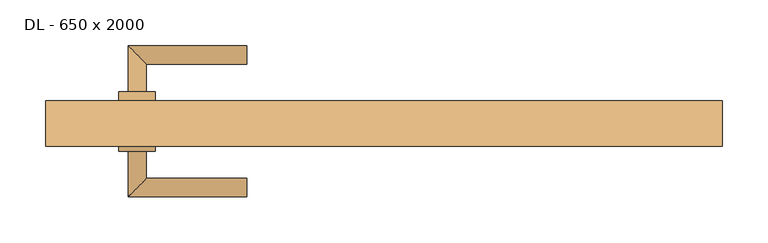
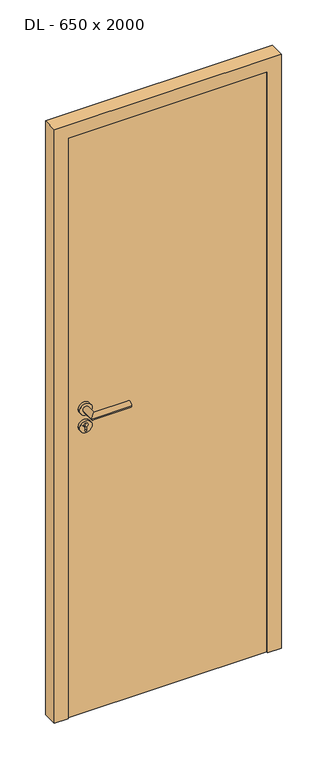
"""IFC4 building model written with IfcOpenShell, lengths in millimetres: door geometry, DL - 650 x 2000."""

from ifc_helpers import new_model, si_unit, point, frame, frame_2d, origin, origin_with_axes, place, context, project, spatial, polyline, circle_curve, ellipse_curve, trimmed, segment, composite_curve, outline, extrude, faceted_brep, source, transform, mapped, element, save
from ifc_brep_helpers import plane_surface, cylinder_surface, advanced_brep


def dl_650_x_2000_d0895c0a(model_context):
    return source(origin(), model_context, "Body", "SolidModel", [
        extrude(outline(polyline([(336.0, 25.0), (336.0, -20.0), (-336.0, -20.0), (-336.0, 25.0), (336.0, 25.0)])), origin_with_axes(), (0.0, 0.0, 1.0), 2011.0),
        advanced_brep(
        [(-260.0, 35.0, 1050.0), (-280.0, 35.0, 1050.0), (-260.0, 65.0, 1050.0), (-280.0, 85.0, 1050.0), (-150.0, 65.0, 1050.0), (-150.0, 85.0, 1050.0)],
        [
            (0, 1, circle_curve(frame((-270.0, 35.0, 1050.0), z_axis=(0.0, -1.0, 0.0), x_axis=(-1.0, 0.0, 0.0)), 10.0)),
            (1, 0, circle_curve(frame((-270.0, 35.0, 1050.0), z_axis=(0.0, -1.0, 0.0), x_axis=(-1.0, 0.0, 0.0)), 10.0)),
            (0, 2),
            (2, 3, ellipse_curve(frame((-270.0, 75.0, 1050.0), z_axis=(-0.7071067811865531, -0.7071067811865419, 0.0), x_axis=(0.707106781186542, -0.707106781186553, 0.0)), 14.1421356, 10.0)),
            (3, 1),
            (3, 2, ellipse_curve(frame((-270.0, 75.0, 1050.0), z_axis=(-0.7071067811865531, -0.7071067811865419, 0.0), x_axis=(0.707106781186542, -0.707106781186553, 0.0)), 14.1421356, 10.0)),
            (4, 5, circle_curve(frame((-150.0, 75.0, 1050.0), z_axis=(1.0, 0.0, 0.0), x_axis=(0.0, 1.0, 0.0)), 10.0)),
            (5, 4, circle_curve(frame((-150.0, 75.0, 1050.0), z_axis=(1.0, 0.0, 0.0), x_axis=(0.0, 1.0, 0.0)), 10.0)),
            (2, 4),
            (5, 3),
        ],
        [
            plane_surface(frame((-270.0, 35.0, 1050.0), z_axis=(0.0, -1.0, 0.0), x_axis=(0.0, 0.0, 1.0))),
            cylinder_surface(frame((-270.0, 35.0, 1050.0), z_axis=(0.0, -1.0, 0.0), x_axis=(-1.0, 0.0, 0.0)), 10.0),
            plane_surface(frame((-150.0, 75.0, 1050.0), z_axis=(1.0, 0.0, 0.0), x_axis=(0.0, 0.0, 1.0))),
            cylinder_surface(frame((-270.0, 75.0, 1050.0), z_axis=(-1.0, 0.0, 0.0), x_axis=(0.0, 1.0, 0.0)), 10.0),
        ],
        [
            (0, [[1, 2]]),
            (1, [[-1, 3, 4, 5]]),
            (1, [[-2, -5, 6, -3]]),
            (2, [[7, 8]]),
            (3, [[-4, 9, -8, 10]]),
            (3, [[-6, -10, -7, -9]]),
        ],
    ),
        extrude(outline(composite_curve([segment(trimmed(circle_curve(frame_2d((990.0, -270.0)), 20.0), [point((990.0, -290.0))], [point((990.0, -250.0))], False, "CARTESIAN"), True, "CONTINUOUS"), segment(trimmed(circle_curve(frame_2d((990.0, -270.0)), 20.0), [point((990.0, -250.0))], [point((990.0, -290.0))], False, "CARTESIAN"), True, "CONTINUOUS")], self_intersect=False), holes=[composite_curve([segment(polyline([(976.4601385, -272.397268), (988.4749012, -272.397268)]), True, "CONTINUOUS"), segment(trimmed(circle_curve(frame_2d((995.0361633, -270.0)), 6.9854888), [point((988.4749012, -272.397268))], [point((988.4749012, -267.602732))], True, "CARTESIAN"), True, "CONTINUOUS"), segment(polyline([(988.4749012, -267.602732), (976.4601385, -267.602732)]), True, "CONTINUOUS"), segment(trimmed(circle_curve(frame_2d((976.4601385, -270.0)), 2.397268), [point((976.4601385, -267.602732))], [point((976.4601385, -272.397268))], True, "CARTESIAN"), True, "CONTINUOUS")], self_intersect=False)]), frame((0.0, 25.0, 0.0), z_axis=(0.0, 1.0, 0.0), x_axis=(0.0, 0.0, 1.0)), (0.0, 0.0, 1.0), 10.0),
        advanced_brep(
        [(-260.0, 35.0, 1050.0), (-280.0, 35.0, 1050.0), (-260.0, 65.0, 1050.0), (-280.0, 85.0, 1050.0), (-150.0, 65.0, 1050.0), (-150.0, 85.0, 1050.0)],
        [
            (0, 1, circle_curve(frame((-270.0, 35.0, 1050.0), z_axis=(0.0, -1.0, 0.0), x_axis=(-1.0, 0.0, 0.0)), 10.0)),
            (1, 0, circle_curve(frame((-270.0, 35.0, 1050.0), z_axis=(0.0, -1.0, 0.0), x_axis=(-1.0, 0.0, 0.0)), 10.0)),
            (0, 2),
            (2, 3, ellipse_curve(frame((-270.0, 75.0, 1050.0), z_axis=(-0.7071067811865537, -0.7071067811865414, 0.0), x_axis=(0.7071067811865414, -0.7071067811865536, 0.0)), 14.1421356, 10.0)),
            (3, 1),
            (3, 2, ellipse_curve(frame((-270.0, 75.0, 1050.0), z_axis=(-0.7071067811865537, -0.7071067811865414, 0.0), x_axis=(0.7071067811865414, -0.7071067811865536, 0.0)), 14.1421356, 10.0)),
            (4, 5, circle_curve(frame((-150.0, 75.0, 1050.0), z_axis=(1.0, 0.0, 0.0), x_axis=(0.0, 1.0, 0.0)), 10.0)),
            (5, 4, circle_curve(frame((-150.0, 75.0, 1050.0), z_axis=(1.0, 0.0, 0.0), x_axis=(0.0, 1.0, 0.0)), 10.0)),
            (2, 4),
            (5, 3),
        ],
        [
            plane_surface(frame((-270.0, 35.0, 1050.0), z_axis=(0.0, -1.0, 0.0), x_axis=(0.0, 0.0, 1.0))),
            cylinder_surface(frame((-270.0, 35.0, 1050.0), z_axis=(0.0, -1.0, 0.0), x_axis=(-1.0, 0.0, 0.0)), 10.0),
            plane_surface(frame((-150.0, 75.0, 1050.0), z_axis=(1.0, 0.0, 0.0), x_axis=(0.0, 0.0, 1.0))),
            cylinder_surface(frame((-270.0, 75.0, 1050.0), z_axis=(-1.0, 0.0, 0.0), x_axis=(0.0, 1.0, 0.0)), 10.0),
        ],
        [
            (0, [[1, 2]]),
            (1, [[-1, 3, 4, 5]]),
            (1, [[-2, -5, 6, -3]]),
            (2, [[7, 8]]),
            (3, [[-4, 9, -8, 10]]),
            (3, [[-6, -10, -7, -9]]),
        ],
    ),
        extrude(outline(composite_curve([segment(trimmed(circle_curve(frame_2d((1050.0, -270.0)), 20.0), [point((1050.0, -290.0))], [point((1050.0, -250.0))], False, "CARTESIAN"), True, "CONTINUOUS"), segment(trimmed(circle_curve(frame_2d((1050.0, -270.0)), 20.0), [point((1050.0, -250.0))], [point((1050.0, -290.0))], False, "CARTESIAN"), True, "CONTINUOUS")], self_intersect=False)), frame((0.0, 25.0, 0.0), z_axis=(0.0, 1.0, 0.0), x_axis=(0.0, 0.0, 1.0)), (0.0, 0.0, 1.0), 10.0),
        advanced_brep(
        [(-260.0, -30.0, 1050.0), (-280.0, -30.0, 1050.0), (-280.0, -80.0, 1050.0), (-260.0, -60.0, 1050.0), (-150.0, -60.0, 1050.0), (-150.0, -80.0, 1050.0)],
        [
            (0, 1, circle_curve(frame((-270.0, -30.0, 1050.0), z_axis=(0.0, 1.0, 0.0), x_axis=(-1.0, 0.0, 0.0)), 10.0)),
            (1, 0, circle_curve(frame((-270.0, -30.0, 1050.0), z_axis=(0.0, 1.0, 0.0), x_axis=(-1.0, 0.0, 0.0)), 10.0)),
            (1, 2),
            (2, 3, ellipse_curve(frame((-270.0, -70.0, 1050.0), z_axis=(-0.7071067811865486, 0.7071067811865464, 0.0), x_axis=(0.7071067811865464, 0.7071067811865488, 0.0)), 14.1421356, 10.0)),
            (3, 0),
            (3, 2, ellipse_curve(frame((-270.0, -70.0, 1050.0), z_axis=(-0.7071067811865486, 0.7071067811865464, 0.0), x_axis=(0.7071067811865464, 0.7071067811865488, 0.0)), 14.1421356, 10.0)),
            (4, 5, circle_curve(frame((-150.0, -70.0, 1050.0), z_axis=(1.0, 0.0, 0.0), x_axis=(0.0, -1.0, 0.0)), 10.0)),
            (5, 4, circle_curve(frame((-150.0, -70.0, 1050.0), z_axis=(1.0, 0.0, 0.0), x_axis=(0.0, -1.0, 0.0)), 10.0)),
            (2, 5),
            (4, 3),
        ],
        [
            plane_surface(frame((-270.0, -30.0, 1050.0), z_axis=(0.0, 1.0, 0.0), x_axis=(0.0, 0.0, 1.0))),
            cylinder_surface(frame((-270.0, -30.0, 1050.0), z_axis=(0.0, 1.0, 0.0), x_axis=(-1.0, 0.0, 0.0)), 10.0),
            plane_surface(frame((-150.0, -70.0, 1050.0), z_axis=(1.0, 0.0, 0.0), x_axis=(0.0, 0.0, 1.0))),
            cylinder_surface(frame((-270.0, -70.0, 1050.0), z_axis=(-1.0, 0.0, 0.0), x_axis=(0.0, -1.0, 0.0)), 10.0),
        ],
        [
            (0, [[1, 2]]),
            (1, [[3, 4, 5, -2]]),
            (1, [[-5, 6, -3, -1]]),
            (2, [[7, 8]]),
            (3, [[9, -7, 10, -4]]),
            (3, [[-10, -8, -9, -6]]),
        ],
    ),
        extrude(outline(composite_curve([segment(trimmed(circle_curve(frame_2d((990.0, -270.0)), 20.0), [point((990.0, -290.0))], [point((990.0, -250.0))], False, "CARTESIAN"), True, "CONTINUOUS"), segment(trimmed(circle_curve(frame_2d((990.0, -270.0)), 20.0), [point((990.0, -250.0))], [point((990.0, -290.0))], False, "CARTESIAN"), True, "CONTINUOUS")], self_intersect=False), holes=[composite_curve([segment(polyline([(976.4601385, -272.397268), (988.4749012, -272.397268)]), True, "CONTINUOUS"), segment(trimmed(circle_curve(frame_2d((995.0361633, -270.0)), 6.9854888), [point((988.4749012, -272.397268))], [point((988.4749012, -267.602732))], True, "CARTESIAN"), True, "CONTINUOUS"), segment(polyline([(988.4749012, -267.602732), (976.4601385, -267.602732)]), True, "CONTINUOUS"), segment(trimmed(circle_curve(frame_2d((976.4601385, -270.0)), 2.397268), [point((976.4601385, -267.602732))], [point((976.4601385, -272.397268))], True, "CARTESIAN"), True, "CONTINUOUS")], self_intersect=False)]), frame((0.0, -30.0, 0.0), z_axis=(0.0, 1.0, 0.0), x_axis=(0.0, 0.0, 1.0)), (0.0, 0.0, 1.0), 10.0),
        advanced_brep(
        [(-260.0, -30.0, 1050.0), (-280.0, -30.0, 1050.0), (-280.0, -80.0, 1050.0), (-260.0, -60.0, 1050.0), (-150.0, -60.0, 1050.0), (-150.0, -80.0, 1050.0)],
        [
            (0, 1, circle_curve(frame((-270.0, -30.0, 1050.0), z_axis=(0.0, 1.0, 0.0), x_axis=(-1.0, 0.0, 0.0)), 10.0)),
            (1, 0, circle_curve(frame((-270.0, -30.0, 1050.0), z_axis=(0.0, 1.0, 0.0), x_axis=(-1.0, 0.0, 0.0)), 10.0)),
            (1, 2),
            (2, 3, ellipse_curve(frame((-270.0, -70.0, 1050.0), z_axis=(-0.7071067811865491, 0.7071067811865459, 0.0), x_axis=(0.7071067811865458, 0.7071067811865492, 0.0)), 14.1421356, 10.0)),
            (3, 0),
            (3, 2, ellipse_curve(frame((-270.0, -70.0, 1050.0), z_axis=(-0.7071067811865491, 0.7071067811865459, 0.0), x_axis=(0.7071067811865458, 0.7071067811865492, 0.0)), 14.1421356, 10.0)),
            (4, 5, circle_curve(frame((-150.0, -70.0, 1050.0), z_axis=(1.0, 0.0, 0.0), x_axis=(0.0, -1.0, 0.0)), 10.0)),
            (5, 4, circle_curve(frame((-150.0, -70.0, 1050.0), z_axis=(1.0, 0.0, 0.0), x_axis=(0.0, -1.0, 0.0)), 10.0)),
            (2, 5),
            (4, 3),
        ],
        [
            plane_surface(frame((-270.0, -30.0, 1050.0), z_axis=(0.0, 1.0, 0.0), x_axis=(0.0, 0.0, 1.0))),
            cylinder_surface(frame((-270.0, -30.0, 1050.0), z_axis=(0.0, 1.0, 0.0), x_axis=(-1.0, 0.0, 0.0)), 10.0),
            plane_surface(frame((-150.0, -70.0, 1050.0), z_axis=(1.0, 0.0, 0.0), x_axis=(0.0, 0.0, 1.0))),
            cylinder_surface(frame((-270.0, -70.0, 1050.0), z_axis=(-1.0, 0.0, 0.0), x_axis=(0.0, -1.0, 0.0)), 10.0),
        ],
        [
            (0, [[1, 2]]),
            (1, [[3, 4, 5, -2]]),
            (1, [[-5, 6, -3, -1]]),
            (2, [[7, 8]]),
            (3, [[9, -7, 10, -4]]),
            (3, [[-10, -8, -9, -6]]),
        ],
    ),
        extrude(outline(composite_curve([segment(trimmed(circle_curve(frame_2d((1050.0, -270.0)), 20.0), [point((1050.0, -290.0))], [point((1050.0, -250.0))], False, "CARTESIAN"), True, "CONTINUOUS"), segment(trimmed(circle_curve(frame_2d((1050.0, -270.0)), 20.0), [point((1050.0, -250.0))], [point((1050.0, -290.0))], False, "CARTESIAN"), True, "CONTINUOUS")], self_intersect=False)), frame((0.0, -30.0, 0.0), z_axis=(0.0, 1.0, 0.0), x_axis=(0.0, 0.0, 1.0)), (0.0, 0.0, 1.0), 10.0),
        faceted_brep([(-340.0, 25.0, 0.0), (-340.0, -20.0, 0.0), (-325.0, -20.0, 0.0), (-325.0, -25.0, 0.0), (-370.0, -25.0, 0.0), (-370.0, 25.0, 0.0), (-340.0, 25.0, 2015.0), (-340.0, -20.0, 2015.0), (340.0, -20.0, 2015.0), (340.0, -20.0, 0.0), (325.0, -20.0, 0.0), (325.0, -20.0, 2000.0), (-325.0, -20.0, 2000.0), (-325.0, -25.0, 2000.0), (325.0, -25.0, 2000.0), (325.0, -25.0, 0.0), (370.0, -25.0, 0.0), (370.0, -25.0, 2045.0), (-370.0, -25.0, 2045.0), (-370.0, 25.0, 2045.0), (370.0, 25.0, 2045.0), (370.0, 25.0, 0.0), (340.0, 25.0, 0.0), (340.0, 25.0, 2015.0)], [[[0, 1, 2, 3, 4, 5]], [[1, 0, 6, 7]], [[2, 1, 7, 8, 9, 10, 11, 12]], [[3, 2, 12, 13]], [[4, 3, 13, 14, 15, 16, 17, 18]], [[5, 4, 18, 19]], [[0, 5, 19, 20, 21, 22, 23, 6]], [[20, 17, 16, 21]], [[22, 21, 16, 15, 10, 9]], [[8, 23, 22, 9]], [[14, 11, 10, 15]], [[19, 18, 17, 20]], [[13, 12, 11, 14]], [[7, 6, 23, 8]]]),
    ])


if __name__ == "__main__":
    model = new_model("IFC4")
    model_context = context("Model", 3, world=origin())
    ifc_project = project(units=[si_unit("LENGTHUNIT", "METRE", prefix="MILLI")], contexts=[model_context])
    site = spatial("IfcSite", under=ifc_project)
    building = spatial("IfcBuilding", under=site)
    placement = place(None, origin())
    dl_650_x_2000_shape = dl_650_x_2000_d0895c0a(model_context)
    element("IfcDoor", 1, ObjectType="DL - 650 x 2000", at=placement, inside=building, context=model_context, shape_type="MappedRepresentation", body=[
        mapped(dl_650_x_2000_shape, transform((0.0, 0.0, 0.0), x_axis=(1.0, 0.0, 0.0), y_axis=(0.0, 1.0, 0.0), z_axis=(0.0, 0.0, 1.0))),
    ])
    save(model, "model.ifc")
